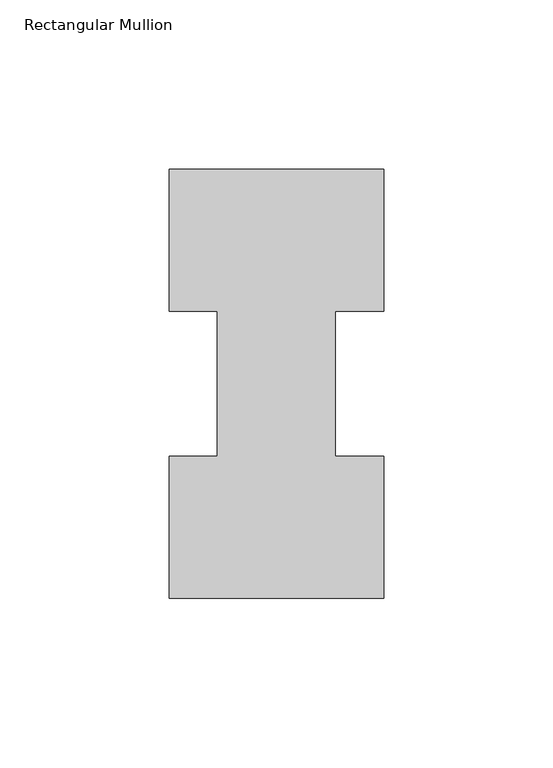
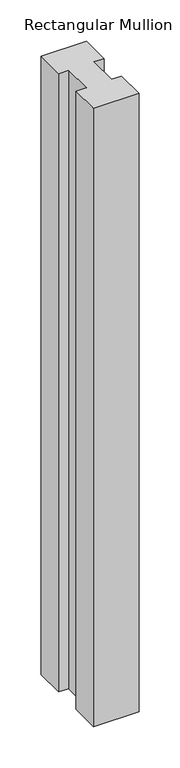
"""IFC4 building model written with IfcOpenShell, lengths in millimetres: member geometry, Rectangular Mullion."""

import ifcopenshell
import ifcopenshell.guid

model = None  # the IFC model being written
_history = None  # IfcOwnerHistory: only IFC2X3 demands one
_inside = {}  # id of a spatial element -> (the spatial element, [elements in it])
_under = {}  # id of a project, library or spatial element -> (it, [spatial elements below it])
_declared = {}  # id of a project -> (the project, [libraries it declares])
_typed = {}  # id of a type object -> (the type object, [elements of that type])
_made_of = {}  # id of a material, layer set ... -> (it, [elements and type objects made of it])


def new_model(schema):
    """Start an empty IFC model of exactly this schema.

    Asked for "IFC4X3", IfcOpenShell would pick the latest addendum, in which some entities
    have other attributes; the version numbers below select the first issue.
    IFC2X3 requires an IfcOwnerHistory on every rooted entity: one is made here for all.
    """
    global model, _history
    if schema == "IFC4X3":
        model = ifcopenshell.file(schema_version=(4, 3, 0, 0))
    else:
        model = ifcopenshell.file(schema=schema)
    _inside.clear()
    _under.clear()
    _declared.clear()
    _typed.clear()
    _made_of.clear()
    _history = None
    if model.schema == "IFC2X3":
        org = make("IfcOrganization", Name="unknown")
        user = make(
            "IfcPersonAndOrganization",
            ThePerson=make("IfcPerson", FamilyName="unknown"),
            TheOrganization=org,
        )
        app = make(
            "IfcApplication",
            ApplicationDeveloper=org,
            Version="unknown",
            ApplicationFullName="unknown",
            ApplicationIdentifier="unknown",
        )
        _history = make(
            "IfcOwnerHistory",
            OwningUser=user,
            OwningApplication=app,
            ChangeAction="ADDED",
            CreationDate=0,
        )
    return model


def make(cls, **values):
    """One entity of the class cls with the attributes given. An attribute that is None is left unset."""
    return model.create_entity(
        cls, **{name: value for name, value in values.items() if value is not None}
    )


def rooted(cls, **values):
    """An entity with a GlobalId (a new one), such as an element, a storey or a relation."""
    return make(cls, GlobalId=ifcopenshell.guid.new(), OwnerHistory=_history, **values)


def si_unit(unit_type, name, prefix=None):
    """IfcSIUnit, for example si_unit("LENGTHUNIT", "METRE", prefix="MILLI")."""
    return make("IfcSIUnit", UnitType=unit_type, Prefix=prefix, Name=name)


def assignment(units):
    """IfcUnitAssignment: the units of a project."""
    return None if units is None else make("IfcUnitAssignment", Units=units)


def point(xyz):
    """IfcCartesianPoint."""
    return None if xyz is None else make("IfcCartesianPoint", Coordinates=xyz)


def direction(xyz):
    """IfcDirection."""
    return None if xyz is None else make("IfcDirection", DirectionRatios=xyz)


def frame(location, z_axis=None, x_axis=None):
    """IfcAxis2Placement3D, a coordinate frame: its origin and axes. An axis left out is left unset."""
    return make(
        "IfcAxis2Placement3D",
        Location=point(location),
        Axis=direction(z_axis),
        RefDirection=direction(x_axis),
    )


def origin():
    """The frame at (0, 0, 0) with its axes left unset."""
    return frame((0.0, 0.0, 0.0))


def place(relative_to, where):
    """IfcLocalPlacement: puts the frame where relative to a parent placement (None: the world)."""
    return make(
        "IfcLocalPlacement", PlacementRelTo=relative_to, RelativePlacement=where
    )


def context(
    kind, dimensions, precision=None, world=None, true_north=None, identifier=None
):
    """IfcGeometricRepresentationContext, for example the 3D "Model" context."""
    return make(
        "IfcGeometricRepresentationContext",
        ContextIdentifier=identifier,
        ContextType=kind,
        CoordinateSpaceDimension=dimensions,
        Precision=precision,
        WorldCoordinateSystem=world,
        TrueNorth=true_north,
    )


def project(units=None, contexts=None):
    """IfcProject with its units and contexts."""
    return rooted(
        "IfcProject",
        Name="project",
        RepresentationContexts=contexts,
        UnitsInContext=assignment(units),
    )


def spatial(cls, under=None, at=None, **own):
    """A site, building, storey or space (cls), placed at a placement, below another one or the project."""
    s = rooted(cls, ObjectPlacement=at, **own)
    if under is not None:
        _under.setdefault(under.id(), (under, []))[1].append(s)
    return s


def polyline(points):
    """IfcPolyline through the points."""
    return make("IfcPolyline", Points=[point(p) for p in points])


def outline(outer, holes=None, kind="AREA"):
    """IfcArbitraryClosedProfileDef: a profile drawn as a closed curve; with holes, ...WithVoids."""
    if holes is None:
        return make("IfcArbitraryClosedProfileDef", ProfileType=kind, OuterCurve=outer)
    return make(
        "IfcArbitraryProfileDefWithVoids",
        ProfileType=kind,
        OuterCurve=outer,
        InnerCurves=holes,
    )


def extrude(swept, where, along, depth):
    """IfcExtrudedAreaSolid: the profile swept, set in the frame where, extruded along a direction by depth."""
    return make(
        "IfcExtrudedAreaSolid",
        SweptArea=swept,
        Position=where,
        ExtrudedDirection=direction(along),
        Depth=depth,
    )


def shape(context_of_items, identifier, shape_type, items):
    """IfcShapeRepresentation: the items that make up one representation, for example the "Body"."""
    return make(
        "IfcShapeRepresentation",
        ContextOfItems=context_of_items,
        RepresentationIdentifier=identifier,
        RepresentationType=shape_type,
        Items=items,
    )


def source(mapping_origin, context_of_items, identifier, shape_type, items):
    """IfcRepresentationMap: a shape defined once, which mapped items show again and again."""
    return make(
        "IfcRepresentationMap",
        MappingOrigin=mapping_origin,
        MappedRepresentation=shape(context_of_items, identifier, shape_type, items),
    )


def transform(
    local_origin,
    x_axis=None,
    y_axis=None,
    z_axis=None,
    scale=None,
    scale2=None,
    scale3=None,
    uniform=True,
):
    """IfcCartesianTransformationOperator3D, or its non-uniform kind. x_axis, y_axis, z_axis: its Axis1, 2, 3."""
    if uniform:
        return make(
            "IfcCartesianTransformationOperator3D",
            Axis1=direction(x_axis),
            Axis2=direction(y_axis),
            LocalOrigin=point(local_origin),
            Scale=scale,
            Axis3=direction(z_axis),
        )
    return make(
        "IfcCartesianTransformationOperator3DnonUniform",
        Axis1=direction(x_axis),
        Axis2=direction(y_axis),
        LocalOrigin=point(local_origin),
        Scale=scale,
        Axis3=direction(z_axis),
        Scale2=scale2,
        Scale3=scale3,
    )


def mapped(mapping_source, mapping_target):
    """IfcMappedItem: shows the shape of a source again, moved by a transform."""
    return make(
        "IfcMappedItem", MappingSource=mapping_source, MappingTarget=mapping_target
    )


def made_of(thing, what):
    """Note that an element or type object is made of a material, layer set ...; save() writes the relation."""
    if what is not None:
        _made_of.setdefault(what.id(), (what, []))[1].append(thing)
    return thing


def element(
    cls,
    number,
    at=None,
    inside=None,
    cuts=None,
    type_object=None,
    material=None,
    context=None,
    identifier="Body",
    shape_type=None,
    held_by="IfcProductDefinitionShape",
    body=None,
    shapes=None,
    **own,
):
    """One element of the class cls, such as IfcWall. Its Tag is "e" and its number.

    at: its placement. inside: the storey or other place that contains it. cuts: it is an
    opening in that element (IfcRelVoidsElement). A single representation is given by context,
    identifier, shape_type and body (its items); several are given by shapes. held_by: the class
    of the entity that holds the representations. save() writes the other relations.
    """
    e = rooted(cls, Tag="e%d" % number, ObjectPlacement=at, **own)
    if body is not None:
        shapes = [shape(context, identifier, shape_type, body)]
    if shapes is not None:
        e.Representation = make(held_by, Representations=shapes)
    if inside is not None:
        _inside.setdefault(inside.id(), (inside, []))[1].append(e)
    if cuts is not None:
        rooted(
            "IfcRelVoidsElement", RelatingBuildingElement=cuts, RelatedOpeningElement=e
        )
    if type_object is not None:
        _typed.setdefault(type_object.id(), (type_object, []))[1].append(e)
    return made_of(e, material)


def aggregate(whole, parts):
    """IfcRelAggregates: a whole, such as a stair, and the parts it consists of."""
    return rooted("IfcRelAggregates", RelatingObject=whole, RelatedObjects=parts)


def save(model, path):
    """Write the relations noted so far, then the file.

    IfcRelAggregates (storeys below a building ...), IfcRelContainedInSpatialStructure (elements
    in a storey), IfcRelDefinesByType, IfcRelAssociatesMaterial and IfcRelDeclares: one each for
    every whole, place, type object, material and project.
    """
    for whole, parts in _under.values():
        aggregate(whole, parts)
    for where, things in _inside.values():
        rooted(
            "IfcRelContainedInSpatialStructure",
            RelatedElements=things,
            RelatingStructure=where,
        )
    for kind, things in _typed.values():
        rooted("IfcRelDefinesByType", RelatedObjects=things, RelatingType=kind)
    for what, things in _made_of.values():
        rooted("IfcRelAssociatesMaterial", RelatedObjects=things, RelatingMaterial=what)
    for by, libraries in _declared.values():
        rooted("IfcRelDeclares", RelatingContext=by, RelatedDefinitions=libraries)
    model.write(path)


def rectangular_mullion_8b5acf4d(model_context):
    return source(origin(), model_context, "Body", "SweptSolid", [
        extrude(outline(polyline([(-31.75, 126.7086937), (31.75, 126.7086937), (31.75, 84.6335937), (17.4625, 84.6335937), (17.4625, 41.7837938), (31.75, 41.7837938), (31.75, -0.2913063), (-31.75, -0.2913063), (-31.75, 41.7837938), (-17.4625, 41.7837938), (-17.4625, 84.6335937), (-31.75, 84.6335937), (-31.75, 126.7086937)])), frame((0.0, 0.0, -914.4), z_axis=(0.0, 0.0, 1.0), x_axis=(1.0, 0.0, 0.0)), (0.0, 0.0, 1.0), 914.4),
    ])


if __name__ == "__main__":
    model = new_model("IFC4")
    model_context = context("Model", 3, world=origin())
    ifc_project = project(units=[si_unit("LENGTHUNIT", "METRE", prefix="MILLI")], contexts=[model_context])
    site = spatial("IfcSite", under=ifc_project)
    building = spatial("IfcBuilding", under=site)
    placement = place(None, origin())
    rectangular_mullion_shape = rectangular_mullion_8b5acf4d(model_context)
    element("IfcMember", 1, ObjectType="Rectangular Mullion", at=placement, inside=building, context=model_context, shape_type="MappedRepresentation", body=[
        mapped(rectangular_mullion_shape, transform((0.0, 0.0, 0.0), x_axis=(1.0, 0.0, 0.0), y_axis=(0.0, 1.0, 0.0), z_axis=(0.0, 0.0, 1.0))),
    ])
    save(model, "model.ifc")
